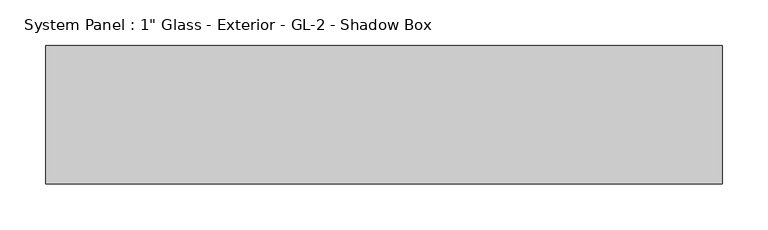
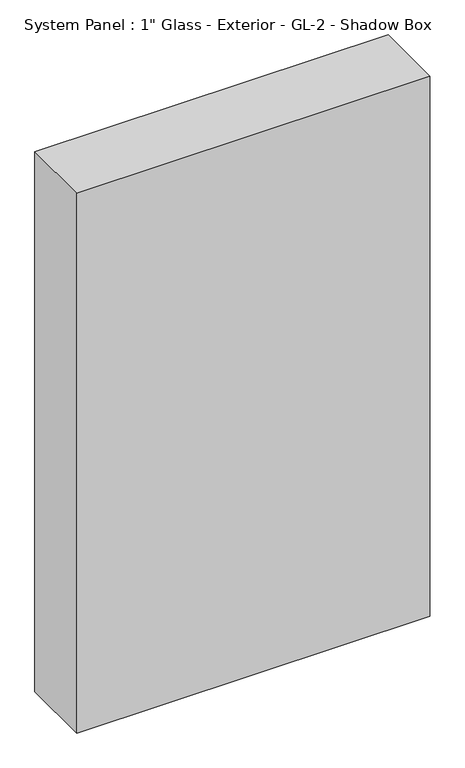
"""IFC4 building model written with IfcOpenShell, lengths in millimetres: plate geometry."""

from ifc_helpers import new_model, si_unit, origin, origin_with_axes, place, context, project, spatial, polyline, outline, extrude, source, transform, mapped, element, save


def plate_d4540562(model_context):
    return source(origin(), model_context, "Body", "SweptSolid", [
        extrude(outline(polyline([(371.475, 0.0), (-371.475, 0.0), (-371.475, 152.4), (371.475, 152.4), (371.475, 0.0)])), origin_with_axes(), (0.0, 0.0, 1.0), 1200.15),
    ])


if __name__ == "__main__":
    model = new_model("IFC4")
    model_context = context("Model", 3, world=origin())
    ifc_project = project(units=[si_unit("LENGTHUNIT", "METRE", prefix="MILLI")], contexts=[model_context])
    site = spatial("IfcSite", under=ifc_project)
    building = spatial("IfcBuilding", under=site)
    placement = place(None, origin())
    plate_shape = plate_d4540562(model_context)
    element("IfcPlate", 1, ObjectType="System Panel : 1\" Glass - Exterior - GL-2 - Shadow Box", at=placement, inside=building, context=model_context, shape_type="MappedRepresentation", body=[
        mapped(plate_shape, transform((0.0, 0.0, 0.0), x_axis=(1.0, 0.0, 0.0), y_axis=(0.0, 1.0, 0.0), z_axis=(0.0, 0.0, 1.0))),
    ])
    save(model, "model.ifc")
